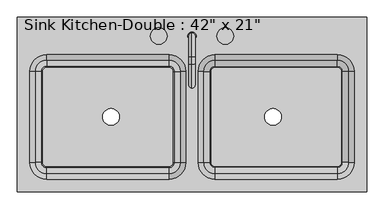
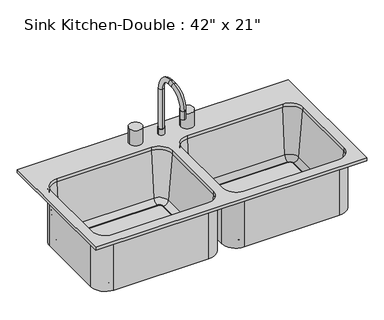
"""IFC4 building model written with IfcOpenShell, lengths in millimetres: flow terminal geometry."""

from ifc_helpers import new_model, si_unit, point, frame, frame_2d, origin, place, context, project, spatial, polyline, circle_curve, ellipse_curve, trimmed, segment, composite_curve, outline, extrude, source, transform, mapped, element, save
from ifc_brep_helpers import plane_surface, cylinder_surface, revolved_surface, advanced_brep


def flow_terminal_a53be723(model_context):
    return source(origin(), model_context, "Body", "SolidModel", [
        advanced_brep(
        [(2.9892406, 211.8954011, 927.1), (28.3892406, 211.8954011, 927.1), (15.6892406, 221.4204011, 1114.425), (15.6892406, 202.3704011, 1114.425), (15.6892406, 202.3704011, 952.5), (15.6892406, 221.4204011, 952.5), (15.6892406, 148.3954011, 1187.45), (15.6892406, 148.3954011, 1168.4), (15.6892406, 126.1704011, 1187.45), (15.6892406, 126.1704011, 1168.4), (15.6892406, 53.1454011, 1114.425), (15.6892406, 72.1954011, 1114.425), (15.6892406, 53.1454011, 1079.5), (15.6892406, 72.1954011, 1079.5), (2.9892406, 211.8954011, 952.5), (28.3892406, 211.8954011, 952.5)],
        [
            (0, 1, circle_curve(frame((15.6892406, 211.8954011, 927.1), z_axis=(0.0, 0.0, -1.0), x_axis=(1.0, 0.0, 0.0)), 12.7)),
            (1, 0, circle_curve(frame((15.6892406, 211.8954011, 927.1), z_axis=(0.0, 0.0, -1.0), x_axis=(1.0, 0.0, 0.0)), 12.7)),
            (2, 3, circle_curve(frame((15.6892406, 211.8954011, 1114.425), z_axis=(0.0, 0.0, -1.0), x_axis=(0.0, -1.0, 0.0)), 9.525)),
            (3, 4),
            (4, 5, circle_curve(frame((15.6892406, 211.8954011, 952.5), z_axis=(0.0, 0.0, 1.0), x_axis=(0.0, -1.0, 0.0)), 9.525)),
            (5, 2),
            (3, 2, circle_curve(frame((15.6892406, 211.8954011, 1114.425), z_axis=(0.0, 0.0, -1.0), x_axis=(0.0, -1.0, 0.0)), 9.525)),
            (5, 4, circle_curve(frame((15.6892406, 211.8954011, 952.5), z_axis=(0.0, 0.0, 1.0), x_axis=(0.0, -1.0, 0.0)), 9.525)),
            (2, 6, circle_curve(frame((15.6892406, 148.3954011, 1114.425), z_axis=(1.0, 0.0, 0.0), x_axis=(0.0, 1.0, 0.0)), 73.025)),
            (6, 7, circle_curve(frame((15.6892406, 148.3954011, 1177.925), z_axis=(0.0, 1.0, 0.0), x_axis=(0.0, 0.0, -1.0)), 9.525)),
            (7, 3, circle_curve(frame((15.6892406, 148.3954011, 1114.425), z_axis=(-1.0, 0.0, 0.0), x_axis=(0.0, 1.0, 0.0)), 53.975)),
            (7, 6, circle_curve(frame((15.6892406, 148.3954011, 1177.925), z_axis=(0.0, 1.0, 0.0), x_axis=(0.0, 0.0, -1.0)), 9.525)),
            (6, 8),
            (8, 9, circle_curve(frame((15.6892406, 126.1704011, 1177.925), z_axis=(0.0, 1.0, 0.0), x_axis=(0.0, 0.0, -1.0)), 9.525)),
            (9, 7),
            (9, 8, circle_curve(frame((15.6892406, 126.1704011, 1177.925), z_axis=(0.0, 1.0, 0.0), x_axis=(0.0, 0.0, -1.0)), 9.525)),
            (8, 10, circle_curve(frame((15.6892406, 126.1704011, 1114.425), z_axis=(1.0, 0.0, 0.0), x_axis=(0.0, 0.0, 1.0)), 73.025)),
            (10, 11, circle_curve(frame((15.6892406, 62.6704011, 1114.425), z_axis=(0.0, 0.0, 1.0), x_axis=(0.0, 1.0, 0.0)), 9.525)),
            (11, 9, circle_curve(frame((15.6892406, 126.1704011, 1114.425), z_axis=(-1.0, 0.0, 0.0), x_axis=(0.0, 0.0, 1.0)), 53.975)),
            (11, 10, circle_curve(frame((15.6892406, 62.6704011, 1114.425), z_axis=(0.0, 0.0, 1.0), x_axis=(0.0, 1.0, 0.0)), 9.525)),
            (12, 13, circle_curve(frame((15.6892406, 62.6704011, 1079.5), z_axis=(0.0, 0.0, -1.0), x_axis=(0.0, 1.0, 0.0)), 9.525)),
            (13, 12, circle_curve(frame((15.6892406, 62.6704011, 1079.5), z_axis=(0.0, 0.0, -1.0), x_axis=(0.0, 1.0, 0.0)), 9.525)),
            (10, 12),
            (13, 11),
            (14, 15, circle_curve(frame((15.6892406, 211.8954011, 952.5), z_axis=(0.0, 0.0, 1.0), x_axis=(1.0, 0.0, 0.0)), 12.7)),
            (15, 14, circle_curve(frame((15.6892406, 211.8954011, 952.5), z_axis=(0.0, 0.0, 1.0), x_axis=(1.0, 0.0, 0.0)), 12.7)),
            (14, 0),
            (1, 15),
        ],
        [
            plane_surface(frame((15.6892406, 202.3704011, 927.1), z_axis=(0.0, 0.0, -1.0), x_axis=(1.0, 0.0, 0.0))),
            cylinder_surface(frame((15.6892406, 211.8954011, 927.1), z_axis=(0.0, 0.0, -1.0), x_axis=(0.0, -1.0, 0.0)), 9.525),
            revolved_surface(trimmed(ellipse_curve(frame((15.6892406, 211.8954011, 1114.425), z_axis=(0.0, 0.0, -1.0), x_axis=(0.0, -1.0, 0.0)), 9.525, 9.525), [point((15.6892406, 221.4204011, 1114.425))], [point((15.6892406, 202.3704011, 1114.425))], True, "CARTESIAN"), (15.6892406, 148.3954011, 1114.425), (1.0, 0.0, 0.0)),
            revolved_surface(trimmed(ellipse_curve(frame((15.6892406, 211.8954011, 1114.425), z_axis=(0.0, 0.0, -1.0), x_axis=(0.0, -1.0, 0.0)), 9.525, 9.525), [point((15.6892406, 202.3704011, 1114.425))], [point((15.6892406, 221.4204011, 1114.425))], True, "CARTESIAN"), (15.6892406, 148.3954011, 1114.425), (1.0, 0.0, 0.0)),
            cylinder_surface(frame((15.6892406, 148.3954011, 1177.925), z_axis=(0.0, 1.0, 0.0), x_axis=(0.0, 0.0, -1.0)), 9.525),
            revolved_surface(trimmed(ellipse_curve(frame((15.6892406, 126.1704011, 1177.925), z_axis=(0.0, 1.0, 0.0), x_axis=(0.0, 0.0, -1.0)), 9.525, 9.525), [point((15.6892406, 126.1704011, 1187.45))], [point((15.6892406, 126.1704011, 1168.4))], True, "CARTESIAN"), (15.6892406, 126.1704011, 1114.425), (1.0, 0.0, 0.0)),
            revolved_surface(trimmed(ellipse_curve(frame((15.6892406, 126.1704011, 1177.925), z_axis=(0.0, 1.0, 0.0), x_axis=(0.0, 0.0, -1.0)), 9.525, 9.525), [point((15.6892406, 126.1704011, 1168.4))], [point((15.6892406, 126.1704011, 1187.45))], True, "CARTESIAN"), (15.6892406, 126.1704011, 1114.425), (1.0, 0.0, 0.0)),
            plane_surface(frame((15.6892406, 53.1454011, 1079.5), z_axis=(0.0, 0.0, -1.0), x_axis=(-1.0, 0.0, 0.0))),
            cylinder_surface(frame((15.6892406, 62.6704011, 1114.425), z_axis=(0.0, 0.0, 1.0), x_axis=(0.0, 1.0, 0.0)), 9.525),
            plane_surface(frame((28.3892406, 211.8954011, 952.5), z_axis=(0.0, 0.0, 1.0), x_axis=(0.0, 1.0, 0.0))),
            cylinder_surface(frame((15.6892406, 211.8954011, 927.1), z_axis=(0.0, 0.0, 1.0), x_axis=(1.0, 0.0, 0.0)), 12.7),
        ],
        [
            (0, [[1, 2]]),
            (1, [[3, 4, 5, 6]]),
            (1, [[7, -6, 8, -4]]),
            (2, [[-3, 9, 10, 11]]),
            (3, [[-7, -11, 12, -9]]),
            (4, [[-10, 13, 14, 15]]),
            (4, [[-12, -15, 16, -13]]),
            (5, [[-14, 17, 18, 19]]),
            (6, [[-16, -19, 20, -17]]),
            (7, [[21, 22]]),
            (8, [[-18, 23, -22, 24]]),
            (8, [[-20, -24, -21, -23]]),
            (9, [[25, 26], [-5, -8]]),
            (10, [[-25, 27, -2, 28]]),
            (10, [[-26, -28, -1, -27]]),
        ],
    ),
        advanced_brep(
        [(549.0892406, 269.0454011, 927.1), (-517.7107594, 269.0454011, 927.1), (-517.7107594, -264.3545989, 927.1), (549.0892406, -264.3545989, 927.1), (-54.1607594, 154.7454011, 927.1), (-3.3607594, 103.9454011, 927.1), (-3.3607594, -175.4545989, 927.1), (-54.1607594, -226.2545989, 927.1), (-428.8107594, -226.2545989, 927.1), (-479.6107594, -175.4545989, 927.1), (-479.6107594, 103.9454011, 927.1), (-428.8107594, 154.7454011, 927.1), (85.5392406, -226.2545989, 927.1), (34.7392406, -175.4545989, 927.1), (34.7392406, 103.9454011, 927.1), (85.5392406, 154.7454011, 927.1), (460.1892406, 154.7454011, 927.1), (510.9892406, 103.9454011, 927.1), (510.9892406, -175.4545989, 927.1), (460.1892406, -226.2545989, 927.1), (549.0892406, 269.0454011, 914.4), (549.0892406, -264.3545989, 914.4), (-517.7107594, -264.3545989, 914.4), (-517.7107594, 269.0454011, 914.4), (85.5392406, 161.0954011, 914.4), (28.3892406, 103.9454011, 914.4), (28.3892406, -175.4545989, 914.4), (85.5392406, -232.6045989, 914.4), (460.1892406, -232.6045989, 914.4), (517.3392406, -175.4545989, 914.4), (517.3392406, 103.9454011, 914.4), (460.1892406, 161.0954011, 914.4), (2.9892406, 103.9454011, 914.4), (-54.1607594, 161.0954011, 914.4), (-428.8107594, 161.0954011, 914.4), (-485.9607594, 103.9454011, 914.4), (-485.9607594, -175.4545989, 914.4), (-428.8107594, -232.6045989, 914.4), (-54.1607594, -232.6045989, 914.4), (2.9892406, -175.4545989, 914.4), (-54.1607594, 154.7454011, 914.4), (-3.3607594, 103.9454011, 914.4), (-3.3607594, -175.4545989, 914.4), (-54.1607594, -226.2545989, 914.4), (-428.8107594, -226.2545989, 914.4), (-479.6107594, -175.4545989, 914.4), (-479.6107594, 103.9454011, 914.4), (-428.8107594, 154.7454011, 914.4), (85.5392406, -226.2545989, 914.4), (34.7392406, -175.4545989, 914.4), (34.7392406, 103.9454011, 914.4), (85.5392406, 154.7454011, 914.4), (460.1892406, 154.7454011, 914.4), (510.9892406, 103.9454011, 914.4), (510.9892406, -175.4545989, 914.4), (460.1892406, -226.2545989, 914.4), (51.2733134, 103.9454011, 725.4146831), (85.5392406, 138.2113283, 725.4146831), (70.2508224, 103.9454011, 708.025), (85.5392406, 119.2338193, 708.025), (72.8392406, 103.9454011, 708.025), (85.5392406, 116.6454011, 708.025), (72.8392406, 103.9454011, 698.5), (85.5392406, 116.6454011, 698.5), (28.3892406, 103.9454011, 698.5), (85.5392406, 161.0954011, 698.5), (51.2733134, -175.4545989, 725.4146831), (70.2508224, -175.4545989, 708.025), (72.8392406, -175.4545989, 708.025), (72.8392406, -175.4545989, 698.5), (28.3892406, -175.4545989, 698.5), (85.5392406, -209.7205261, 725.4146831), (85.5392406, -190.7430171, 708.025), (85.5392406, -188.1545989, 708.025), (85.5392406, -188.1545989, 698.5), (85.5392406, -232.6045989, 698.5), (460.1892406, -209.7205261, 725.4146831), (460.1892406, -190.7430171, 708.025), (460.1892406, -188.1545989, 708.025), (460.1892406, -188.1545989, 698.5), (460.1892406, -232.6045989, 698.5), (494.4551678, -175.4545989, 725.4146831), (475.4776588, -175.4545989, 708.025), (472.8892406, -175.4545989, 708.025), (472.8892406, -175.4545989, 698.5), (517.3392406, -175.4545989, 698.5), (494.4551678, 103.9454011, 725.4146831), (475.4776588, 103.9454011, 708.025), (472.8892406, 103.9454011, 708.025), (472.8892406, 103.9454011, 698.5), (517.3392406, 103.9454011, 698.5), (460.1892406, 138.2113283, 725.4146831), (460.1892406, 119.2338193, 708.025), (460.1892406, 116.6454011, 708.025), (460.1892406, 116.6454011, 698.5), (460.1892406, 161.0954011, 698.5), (2.9892406, 103.9454011, 698.5), (-54.1607594, 161.0954011, 698.5), (-41.4607594, 103.9454011, 698.5), (-54.1607594, 116.6454011, 698.5), (-41.4607594, 103.9454011, 708.025), (-54.1607594, 116.6454011, 708.025), (-38.8723412, 103.9454011, 708.025), (-54.1607594, 119.2338193, 708.025), (-19.8948322, 103.9454011, 725.4146831), (-54.1607594, 138.2113283, 725.4146831), (2.9892406, -175.4545989, 698.5), (-41.4607594, -175.4545989, 698.5), (-41.4607594, -175.4545989, 708.025), (-38.8723412, -175.4545989, 708.025), (-19.8948322, -175.4545989, 725.4146831), (-54.1607594, -232.6045989, 698.5), (-54.1607594, -188.1545989, 698.5), (-54.1607594, -188.1545989, 708.025), (-54.1607594, -190.7430171, 708.025), (-54.1607594, -209.7205261, 725.4146831), (-428.8107594, -232.6045989, 698.5), (-428.8107594, -188.1545989, 698.5), (-428.8107594, -188.1545989, 708.025), (-428.8107594, -190.7430171, 708.025), (-428.8107594, -209.7205261, 725.4146831), (-485.9607594, -175.4545989, 698.5), (-441.5107594, -175.4545989, 698.5), (-441.5107594, -175.4545989, 708.025), (-444.0991776, -175.4545989, 708.025), (-463.0766866, -175.4545989, 725.4146831), (-485.9607594, 103.9454011, 698.5), (-441.5107594, 103.9454011, 698.5), (-441.5107594, 103.9454011, 708.025), (-444.0991776, 103.9454011, 708.025), (-463.0766866, 103.9454011, 725.4146831), (-428.8107594, 161.0954011, 698.5), (-428.8107594, 116.6454011, 698.5), (-428.8107594, 116.6454011, 708.025), (-428.8107594, 119.2338193, 708.025), (-428.8107594, 138.2113283, 725.4146831)],
        [
            (0, 1),
            (1, 2),
            (2, 3),
            (3, 0),
            (4, 5, circle_curve(frame((-54.1607594, 103.9454011, 927.1), z_axis=(0.0, 0.0, -1.0), x_axis=(1.0, 0.0, 0.0)), 50.8)),
            (5, 6),
            (6, 7, circle_curve(frame((-54.1607594, -175.4545989, 927.1), z_axis=(0.0, 0.0, -1.0), x_axis=(1.0, 0.0, 0.0)), 50.8)),
            (7, 8),
            (8, 9, circle_curve(frame((-428.8107594, -175.4545989, 927.1), z_axis=(0.0, 0.0, -1.0), x_axis=(1.0, 0.0, 0.0)), 50.8)),
            (9, 10),
            (10, 11, circle_curve(frame((-428.8107594, 103.9454011, 927.1), z_axis=(0.0, 0.0, -1.0), x_axis=(1.0, 0.0, 0.0)), 50.8)),
            (11, 4),
            (12, 13, circle_curve(frame((85.5392406, -175.4545989, 927.1), z_axis=(0.0, 0.0, -1.0), x_axis=(1.0, 0.0, 0.0)), 50.8)),
            (13, 14),
            (14, 15, circle_curve(frame((85.5392406, 103.9454011, 927.1), z_axis=(0.0, 0.0, -1.0), x_axis=(1.0, 0.0, 0.0)), 50.8)),
            (15, 16),
            (16, 17, circle_curve(frame((460.1892406, 103.9454011, 927.1), z_axis=(0.0, 0.0, -1.0), x_axis=(1.0, 0.0, 0.0)), 50.8)),
            (17, 18),
            (18, 19, circle_curve(frame((460.1892406, -175.4545989, 927.1), z_axis=(0.0, 0.0, -1.0), x_axis=(1.0, 0.0, 0.0)), 50.8)),
            (19, 12),
            (20, 21),
            (21, 22),
            (22, 23),
            (23, 20),
            (24, 25, circle_curve(frame((85.5392406, 103.9454011, 914.4), z_axis=(0.0, 0.0, 1.0), x_axis=(0.0, 1.0, 0.0)), 57.15)),
            (25, 26),
            (26, 27, circle_curve(frame((85.5392406, -175.4545989, 914.4), z_axis=(0.0, 0.0, 1.0), x_axis=(-1.0, 0.0, 0.0)), 57.15)),
            (27, 28),
            (28, 29, circle_curve(frame((460.1892406, -175.4545989, 914.4), z_axis=(0.0, 0.0, 1.0), x_axis=(0.0, -1.0, 0.0)), 57.15)),
            (29, 30),
            (30, 31, circle_curve(frame((460.1892406, 103.9454011, 914.4), z_axis=(0.0, 0.0, 1.0), x_axis=(1.0, 0.0, 0.0)), 57.15)),
            (31, 24),
            (32, 33, circle_curve(frame((-54.1607594, 103.9454011, 914.4), z_axis=(0.0, 0.0, 1.0), x_axis=(0.0, 1.0, 0.0)), 57.15)),
            (33, 34),
            (34, 35, circle_curve(frame((-428.8107594, 103.9454011, 914.4), z_axis=(0.0, 0.0, 1.0), x_axis=(-1.0, 0.0, 0.0)), 57.15)),
            (35, 36),
            (36, 37, circle_curve(frame((-428.8107594, -175.4545989, 914.4), z_axis=(0.0, 0.0, 1.0), x_axis=(0.0, -1.0, 0.0)), 57.15)),
            (37, 38),
            (38, 39, circle_curve(frame((-54.1607594, -175.4545989, 914.4), z_axis=(0.0, 0.0, 1.0), x_axis=(1.0, 0.0, 0.0)), 57.15)),
            (39, 32),
            (0, 20),
            (23, 1),
            (22, 2),
            (21, 3),
            (4, 40),
            (40, 41, circle_curve(frame((-54.1607594, 103.9454011, 914.4), z_axis=(0.0, 0.0, -1.0), x_axis=(1.0, 0.0, 0.0)), 50.8)),
            (41, 5),
            (41, 42),
            (42, 6),
            (42, 43, circle_curve(frame((-54.1607594, -175.4545989, 914.4), z_axis=(0.0, 0.0, -1.0), x_axis=(1.0, 0.0, 0.0)), 50.8)),
            (43, 7),
            (43, 44),
            (44, 8),
            (44, 45, circle_curve(frame((-428.8107594, -175.4545989, 914.4), z_axis=(0.0, 0.0, -1.0), x_axis=(1.0, 0.0, 0.0)), 50.8)),
            (45, 9),
            (45, 46),
            (46, 10),
            (46, 47, circle_curve(frame((-428.8107594, 103.9454011, 914.4), z_axis=(0.0, 0.0, -1.0), x_axis=(1.0, 0.0, 0.0)), 50.8)),
            (47, 11),
            (47, 40),
            (12, 48),
            (48, 49, circle_curve(frame((85.5392406, -175.4545989, 914.4), z_axis=(0.0, 0.0, -1.0), x_axis=(1.0, 0.0, 0.0)), 50.8)),
            (49, 13),
            (49, 50),
            (50, 14),
            (50, 51, circle_curve(frame((85.5392406, 103.9454011, 914.4), z_axis=(0.0, 0.0, -1.0), x_axis=(1.0, 0.0, 0.0)), 50.8)),
            (51, 15),
            (51, 52),
            (52, 16),
            (52, 53, circle_curve(frame((460.1892406, 103.9454011, 914.4), z_axis=(0.0, 0.0, -1.0), x_axis=(1.0, 0.0, 0.0)), 50.8)),
            (53, 17),
            (53, 54),
            (54, 18),
            (54, 55, circle_curve(frame((460.1892406, -175.4545989, 914.4), z_axis=(0.0, 0.0, -1.0), x_axis=(1.0, 0.0, 0.0)), 50.8)),
            (55, 19),
            (55, 48),
            (56, 57, circle_curve(frame((85.5392406, 103.9454011, 725.4146831), z_axis=(0.0, 0.0, -1.0), x_axis=(0.0, 1.0, 0.0)), 34.2659272)),
            (57, 51),
            (50, 56),
            (56, 58, circle_curve(frame((70.2508224, 103.9454011, 727.075), z_axis=(0.0, -1.0, 0.0), x_axis=(1.0, 0.0, 0.0)), 19.05)),
            (58, 59, circle_curve(frame((85.5392406, 103.9454011, 708.025), z_axis=(0.0, 0.0, -1.0), x_axis=(0.0, 1.0, 0.0)), 15.2884182)),
            (59, 57, circle_curve(frame((85.5392406, 119.2338193, 727.075), z_axis=(1.0, 0.0, 0.0), x_axis=(0.0, -1.0, 0.0)), 19.05)),
            (58, 60),
            (60, 61, circle_curve(frame((85.5392406, 103.9454011, 708.025), z_axis=(0.0, 0.0, -1.0), x_axis=(0.0, 1.0, 0.0)), 12.7)),
            (61, 59),
            (60, 62),
            (62, 63, circle_curve(frame((85.5392406, 103.9454011, 698.5), z_axis=(0.0, 0.0, -1.0), x_axis=(0.0, 1.0, 0.0)), 12.7)),
            (63, 61),
            (62, 64),
            (64, 65, circle_curve(frame((85.5392406, 103.9454011, 698.5), z_axis=(0.0, 0.0, -1.0), x_axis=(0.0, 1.0, 0.0)), 57.15)),
            (65, 63),
            (64, 25),
            (24, 65),
            (49, 66),
            (66, 56),
            (66, 67, circle_curve(frame((70.2508224, -175.4545989, 727.075), z_axis=(0.0, -1.0, 0.0), x_axis=(1.0, 0.0, 0.0)), 19.05)),
            (67, 58),
            (67, 68),
            (68, 60),
            (68, 69),
            (69, 62),
            (69, 70),
            (70, 64),
            (70, 26),
            (48, 71),
            (71, 66, circle_curve(frame((85.5392406, -175.4545989, 725.4146831), z_axis=(0.0, 0.0, -1.0), x_axis=(-1.0, 0.0, 0.0)), 34.2659272)),
            (71, 72, circle_curve(frame((85.5392406, -190.7430171, 727.075), z_axis=(1.0, 0.0, 0.0), x_axis=(0.0, 1.0, 0.0)), 19.05)),
            (72, 67, circle_curve(frame((85.5392406, -175.4545989, 708.025), z_axis=(0.0, 0.0, -1.0), x_axis=(-1.0, 0.0, 0.0)), 15.2884182)),
            (72, 73),
            (73, 68, circle_curve(frame((85.5392406, -175.4545989, 708.025), z_axis=(0.0, 0.0, -1.0), x_axis=(-1.0, 0.0, 0.0)), 12.7)),
            (73, 74),
            (74, 69, circle_curve(frame((85.5392406, -175.4545989, 698.5), z_axis=(0.0, 0.0, -1.0), x_axis=(-1.0, 0.0, 0.0)), 12.7)),
            (74, 75),
            (75, 70, circle_curve(frame((85.5392406, -175.4545989, 698.5), z_axis=(0.0, 0.0, -1.0), x_axis=(-1.0, 0.0, 0.0)), 57.15)),
            (75, 27),
            (55, 76),
            (76, 71),
            (76, 77, circle_curve(frame((460.1892406, -190.7430171, 727.075), z_axis=(1.0, 0.0, 0.0), x_axis=(0.0, 1.0, 0.0)), 19.05)),
            (77, 72),
            (77, 78),
            (78, 73),
            (78, 79),
            (79, 74),
            (79, 80),
            (80, 75),
            (80, 28),
            (54, 81),
            (81, 76, circle_curve(frame((460.1892406, -175.4545989, 725.4146831), z_axis=(0.0, 0.0, -1.0), x_axis=(0.0, -1.0, 0.0)), 34.2659272)),
            (81, 82, circle_curve(frame((475.4776588, -175.4545989, 727.075), z_axis=(0.0, 1.0, 0.0), x_axis=(-1.0, 0.0, 0.0)), 19.05)),
            (82, 77, circle_curve(frame((460.1892406, -175.4545989, 708.025), z_axis=(0.0, 0.0, -1.0), x_axis=(0.0, -1.0, 0.0)), 15.2884182)),
            (82, 83),
            (83, 78, circle_curve(frame((460.1892406, -175.4545989, 708.025), z_axis=(0.0, 0.0, -1.0), x_axis=(0.0, -1.0, 0.0)), 12.7)),
            (83, 84),
            (84, 79, circle_curve(frame((460.1892406, -175.4545989, 698.5), z_axis=(0.0, 0.0, -1.0), x_axis=(0.0, -1.0, 0.0)), 12.7)),
            (84, 85),
            (85, 80, circle_curve(frame((460.1892406, -175.4545989, 698.5), z_axis=(0.0, 0.0, -1.0), x_axis=(0.0, -1.0, 0.0)), 57.15)),
            (85, 29),
            (53, 86),
            (86, 81),
            (86, 87, circle_curve(frame((475.4776588, 103.9454011, 727.075), z_axis=(0.0, 1.0, 0.0), x_axis=(-1.0, 0.0, 0.0)), 19.05)),
            (87, 82),
            (87, 88),
            (88, 83),
            (88, 89),
            (89, 84),
            (89, 90),
            (90, 85),
            (90, 30),
            (52, 91),
            (91, 86, circle_curve(frame((460.1892406, 103.9454011, 725.4146831), z_axis=(0.0, 0.0, -1.0), x_axis=(1.0, 0.0, 0.0)), 34.2659272)),
            (91, 92, circle_curve(frame((460.1892406, 119.2338193, 727.075), z_axis=(-1.0, 0.0, 0.0), x_axis=(0.0, -1.0, 0.0)), 19.05)),
            (92, 87, circle_curve(frame((460.1892406, 103.9454011, 708.025), z_axis=(0.0, 0.0, -1.0), x_axis=(1.0, 0.0, 0.0)), 15.2884182)),
            (92, 93),
            (93, 88, circle_curve(frame((460.1892406, 103.9454011, 708.025), z_axis=(0.0, 0.0, -1.0), x_axis=(1.0, 0.0, 0.0)), 12.7)),
            (93, 94),
            (94, 89, circle_curve(frame((460.1892406, 103.9454011, 698.5), z_axis=(0.0, 0.0, -1.0), x_axis=(1.0, 0.0, 0.0)), 12.7)),
            (94, 95),
            (95, 90, circle_curve(frame((460.1892406, 103.9454011, 698.5), z_axis=(0.0, 0.0, -1.0), x_axis=(1.0, 0.0, 0.0)), 57.15)),
            (95, 31),
            (57, 91),
            (59, 92),
            (61, 93),
            (63, 94),
            (65, 95),
            (96, 97, circle_curve(frame((-54.1607594, 103.9454011, 698.5), z_axis=(0.0, 0.0, 1.0), x_axis=(0.0, 1.0, 0.0)), 57.15)),
            (97, 33),
            (32, 96),
            (96, 98),
            (98, 99, circle_curve(frame((-54.1607594, 103.9454011, 698.5), z_axis=(0.0, 0.0, 1.0), x_axis=(0.0, 1.0, 0.0)), 12.7)),
            (99, 97),
            (98, 100),
            (100, 101, circle_curve(frame((-54.1607594, 103.9454011, 708.025), z_axis=(0.0, 0.0, 1.0), x_axis=(0.0, 1.0, 0.0)), 12.7)),
            (101, 99),
            (100, 102),
            (102, 103, circle_curve(frame((-54.1607594, 103.9454011, 708.025), z_axis=(0.0, 0.0, 1.0), x_axis=(0.0, 1.0, 0.0)), 15.2884182)),
            (103, 101),
            (102, 104, circle_curve(frame((-38.8723412, 103.9454011, 727.075), z_axis=(0.0, -1.0, 0.0), x_axis=(1.0, 0.0, 0.0)), 19.05)),
            (104, 105, circle_curve(frame((-54.1607594, 103.9454011, 725.4146831), z_axis=(0.0, 0.0, 1.0), x_axis=(0.0, 1.0, 0.0)), 34.2659272)),
            (105, 103, circle_curve(frame((-54.1607594, 119.2338193, 727.075), z_axis=(-1.0, 0.0, 0.0), x_axis=(0.0, 1.0, 0.0)), 19.05)),
            (104, 41),
            (40, 105),
            (39, 106),
            (106, 96),
            (106, 107),
            (107, 98),
            (107, 108),
            (108, 100),
            (108, 109),
            (109, 102),
            (109, 110, circle_curve(frame((-38.8723412, -175.4545989, 727.075), z_axis=(0.0, -1.0, 0.0), x_axis=(1.0, 0.0, 0.0)), 19.05)),
            (110, 104),
            (110, 42),
            (38, 111),
            (111, 106, circle_curve(frame((-54.1607594, -175.4545989, 698.5), z_axis=(0.0, 0.0, 1.0), x_axis=(1.0, 0.0, 0.0)), 57.15)),
            (111, 112),
            (112, 107, circle_curve(frame((-54.1607594, -175.4545989, 698.5), z_axis=(0.0, 0.0, 1.0), x_axis=(1.0, 0.0, 0.0)), 12.7)),
            (112, 113),
            (113, 108, circle_curve(frame((-54.1607594, -175.4545989, 708.025), z_axis=(0.0, 0.0, 1.0), x_axis=(1.0, 0.0, 0.0)), 12.7)),
            (113, 114),
            (114, 109, circle_curve(frame((-54.1607594, -175.4545989, 708.025), z_axis=(0.0, 0.0, 1.0), x_axis=(1.0, 0.0, 0.0)), 15.2884182)),
            (114, 115, circle_curve(frame((-54.1607594, -190.7430171, 727.075), z_axis=(-1.0, 0.0, 0.0), x_axis=(0.0, -1.0, 0.0)), 19.05)),
            (115, 110, circle_curve(frame((-54.1607594, -175.4545989, 725.4146831), z_axis=(0.0, 0.0, 1.0), x_axis=(1.0, 0.0, 0.0)), 34.2659272)),
            (115, 43),
            (37, 116),
            (116, 111),
            (116, 117),
            (117, 112),
            (117, 118),
            (118, 113),
            (118, 119),
            (119, 114),
            (119, 120, circle_curve(frame((-428.8107594, -190.7430171, 727.075), z_axis=(-1.0, 0.0, 0.0), x_axis=(0.0, -1.0, 0.0)), 19.05)),
            (120, 115),
            (120, 44),
            (36, 121),
            (121, 116, circle_curve(frame((-428.8107594, -175.4545989, 698.5), z_axis=(0.0, 0.0, 1.0), x_axis=(0.0, -1.0, 0.0)), 57.15)),
            (121, 122),
            (122, 117, circle_curve(frame((-428.8107594, -175.4545989, 698.5), z_axis=(0.0, 0.0, 1.0), x_axis=(0.0, -1.0, 0.0)), 12.7)),
            (122, 123),
            (123, 118, circle_curve(frame((-428.8107594, -175.4545989, 708.025), z_axis=(0.0, 0.0, 1.0), x_axis=(0.0, -1.0, 0.0)), 12.7)),
            (123, 124),
            (124, 119, circle_curve(frame((-428.8107594, -175.4545989, 708.025), z_axis=(0.0, 0.0, 1.0), x_axis=(0.0, -1.0, 0.0)), 15.2884182)),
            (124, 125, circle_curve(frame((-444.0991776, -175.4545989, 727.075), z_axis=(0.0, 1.0, 0.0), x_axis=(-1.0, 0.0, 0.0)), 19.05)),
            (125, 120, circle_curve(frame((-428.8107594, -175.4545989, 725.4146831), z_axis=(0.0, 0.0, 1.0), x_axis=(0.0, -1.0, 0.0)), 34.2659272)),
            (125, 45),
            (35, 126),
            (126, 121),
            (126, 127),
            (127, 122),
            (127, 128),
            (128, 123),
            (128, 129),
            (129, 124),
            (129, 130, circle_curve(frame((-444.0991776, 103.9454011, 727.075), z_axis=(0.0, 1.0, 0.0), x_axis=(-1.0, 0.0, 0.0)), 19.05)),
            (130, 125),
            (130, 46),
            (34, 131),
            (131, 126, circle_curve(frame((-428.8107594, 103.9454011, 698.5), z_axis=(0.0, 0.0, 1.0), x_axis=(-1.0, 0.0, 0.0)), 57.15)),
            (131, 132),
            (132, 127, circle_curve(frame((-428.8107594, 103.9454011, 698.5), z_axis=(0.0, 0.0, 1.0), x_axis=(-1.0, 0.0, 0.0)), 12.7)),
            (132, 133),
            (133, 128, circle_curve(frame((-428.8107594, 103.9454011, 708.025), z_axis=(0.0, 0.0, 1.0), x_axis=(-1.0, 0.0, 0.0)), 12.7)),
            (133, 134),
            (134, 129, circle_curve(frame((-428.8107594, 103.9454011, 708.025), z_axis=(0.0, 0.0, 1.0), x_axis=(-1.0, 0.0, 0.0)), 15.2884182)),
            (134, 135, circle_curve(frame((-428.8107594, 119.2338193, 727.075), z_axis=(1.0, 0.0, 0.0), x_axis=(0.0, 1.0, 0.0)), 19.05)),
            (135, 130, circle_curve(frame((-428.8107594, 103.9454011, 725.4146831), z_axis=(0.0, 0.0, 1.0), x_axis=(-1.0, 0.0, 0.0)), 34.2659272)),
            (135, 47),
            (97, 131),
            (99, 132),
            (101, 133),
            (103, 134),
            (105, 135),
        ],
        [
            plane_surface(frame((-517.7107594, 269.0454011, 927.1), z_axis=(0.0, 0.0, 1.0), x_axis=(-1.0, 0.0, 0.0))),
            plane_surface(frame((-517.7107594, 269.0454011, 914.4), z_axis=(0.0, 0.0, -1.0), x_axis=(1.0, 0.0, 0.0))),
            plane_surface(frame((549.0892406, 269.0454011, 927.1), z_axis=(0.0, 1.0, 0.0), x_axis=(0.0, 0.0, -1.0))),
            plane_surface(frame((-517.7107594, 269.0454011, 927.1), z_axis=(-1.0, 0.0, 0.0), x_axis=(0.0, 0.0, -1.0))),
            plane_surface(frame((-517.7107594, -264.3545989, 927.1), z_axis=(0.0, -1.0, 0.0), x_axis=(0.0, 0.0, -1.0))),
            plane_surface(frame((549.0892406, -264.3545989, 927.1), z_axis=(1.0, 0.0, 0.0), x_axis=(0.0, 0.0, -1.0))),
            revolved_surface(polyline([(-3.3607594000000063, 103.9454011, 914.4), (-3.3607594000000063, 103.9454011, 927.1)]), (-54.1607594, 103.9454011, 0.0), (0.0, 0.0, -1.0)),
            plane_surface(frame((-3.3607594, 103.9454011, 927.1), z_axis=(-1.0, 0.0, 0.0), x_axis=(0.0, 0.0, -1.0))),
            revolved_surface(polyline([(-3.3607594000000063, -175.4545989, 914.4), (-3.3607594000000063, -175.4545989, 927.1)]), (-54.1607594, -175.4545989, 0.0), (0.0, 0.0, -1.0)),
            plane_surface(frame((-54.1607594, -226.2545989, 927.1), z_axis=(0.0, 1.0, 0.0), x_axis=(0.0, 0.0, -1.0))),
            revolved_surface(polyline([(-378.0107594, -175.4545989, 914.4), (-378.0107594, -175.4545989, 927.1)]), (-428.8107594, -175.4545989, 0.0), (0.0, 0.0, -1.0)),
            plane_surface(frame((-479.6107594, -175.4545989, 927.1), z_axis=(1.0, 0.0, 0.0), x_axis=(0.0, 0.0, -1.0))),
            revolved_surface(polyline([(-378.0107594, 103.9454011, 914.4), (-378.0107594, 103.9454011, 927.1)]), (-428.8107594, 103.9454011, 0.0), (0.0, 0.0, -1.0)),
            plane_surface(frame((-428.8107594, 154.7454011, 927.1), z_axis=(0.0, -1.0, 0.0), x_axis=(0.0, 0.0, -1.0))),
            revolved_surface(polyline([(136.33924059999998, -175.4545989, 914.4), (136.33924059999998, -175.4545989, 927.1)]), (85.5392406, -175.4545989, 0.0), (0.0, 0.0, -1.0)),
            plane_surface(frame((34.7392406, -175.4545989, 927.1), z_axis=(1.0, 0.0, 0.0), x_axis=(0.0, 0.0, -1.0))),
            revolved_surface(polyline([(136.33924059999998, 103.9454011, 914.4), (136.33924059999998, 103.9454011, 927.1)]), (85.5392406, 103.9454011, 0.0), (0.0, 0.0, -1.0)),
            plane_surface(frame((85.5392406, 154.7454011, 927.1), z_axis=(0.0, -1.0, 0.0), x_axis=(0.0, 0.0, -1.0))),
            revolved_surface(polyline([(510.9892406, 103.9454011, 914.4), (510.9892406, 103.9454011, 927.1)]), (460.1892406, 103.9454011, 0.0), (0.0, 0.0, -1.0)),
            plane_surface(frame((510.9892406, 103.9454011, 927.1), z_axis=(-1.0, 0.0, 0.0), x_axis=(0.0, 0.0, -1.0))),
            revolved_surface(polyline([(510.9892406, -175.4545989, 914.4), (510.9892406, -175.4545989, 927.1)]), (460.1892406, -175.4545989, 0.0), (0.0, 0.0, -1.0)),
            plane_surface(frame((460.1892406, -226.2545989, 927.1), z_axis=(0.0, 1.0, 0.0), x_axis=(0.0, 0.0, -1.0))),
            revolved_surface(polyline([(85.5392406, 154.7454011, 914.4), (85.5392406, 138.2113283, 725.4146831)]), (85.5392406, 103.9454011, 0.0), (0.0, 0.0, 1.0)),
            revolved_surface(trimmed(ellipse_curve(frame((85.5392406, 119.2338193, 727.075), z_axis=(-1.0, 0.0, 0.0), x_axis=(0.0, -1.0, 0.0)), 19.05, 19.05), [point((85.5392406, 138.2113283, 725.4146831))], [point((85.5392406, 119.2338193, 708.025))], True, "CARTESIAN"), (85.5392406, 103.9454011, 0.0), (0.0, 0.0, 1.0)),
            plane_surface(frame((85.5392406, 103.9454011, 708.025), z_axis=(0.0, 0.0, 1.0), x_axis=(0.0, 1.0, 0.0))),
            revolved_surface(polyline([(85.5392406, 116.6454011, 708.025), (85.5392406, 116.6454011, 698.5)]), (85.5392406, 103.9454011, 0.0), (0.0, 0.0, 1.0)),
            plane_surface(frame((85.5392406, 103.9454011, 698.5), z_axis=(0.0, 0.0, -1.0), x_axis=(0.0, 1.0, 0.0))),
            cylinder_surface(frame((85.5392406, 103.9454011, 0.0), z_axis=(0.0, 0.0, 1.0), x_axis=(0.0, 1.0, 0.0)), 57.15),
            plane_surface(frame((34.7392406, 103.9454011, 914.4), z_axis=(0.996194698091745, 0.0, 0.08715574274766508), x_axis=(0.0, -1.0, 0.0))),
            revolved_surface(polyline([(89.3008224, -175.45459889999998, 727.075), (89.3008224, 103.9454011, 727.075)]), (70.2508224, 103.9454011, 727.075), (0.0, -1.0, 0.0)),
            plane_surface(frame((70.2508224, 103.9454011, 708.025), z_axis=(0.0, 0.0, 1.0), x_axis=(0.0, -1.0, 0.0))),
            plane_surface(frame((72.8392406, 103.9454011, 708.025), z_axis=(1.0, 0.0, 0.0), x_axis=(0.0, -1.0, 0.0))),
            plane_surface(frame((72.8392406, 103.9454011, 698.5), z_axis=(0.0, 0.0, -1.0), x_axis=(0.0, -1.0, 0.0))),
            plane_surface(frame((28.3892406, 103.9454011, 698.5), z_axis=(-1.0, 0.0, 0.0), x_axis=(0.0, -1.0, 0.0))),
            revolved_surface(polyline([(34.7392406, -175.4545989, 914.4), (51.2733134, -175.4545989, 725.4146831)]), (85.5392406, -175.4545989, 0.0), (0.0, 0.0, 1.0)),
            revolved_surface(trimmed(ellipse_curve(frame((70.2508224, -175.4545989, 727.075), z_axis=(0.0, -1.0, 0.0), x_axis=(1.0, 0.0, 0.0)), 19.05, 19.05), [point((51.2733134, -175.4545989, 725.4146831))], [point((70.2508224, -175.4545989, 708.025))], True, "CARTESIAN"), (85.5392406, -175.4545989, 0.0), (0.0, 0.0, 1.0)),
            plane_surface(frame((85.5392406, -175.4545989, 708.025), z_axis=(0.0, 0.0, 1.0), x_axis=(-1.0, 0.0, 0.0))),
            revolved_surface(polyline([(72.8392406, -175.4545989, 708.025), (72.8392406, -175.4545989, 698.5)]), (85.5392406, -175.4545989, 0.0), (0.0, 0.0, 1.0)),
            plane_surface(frame((85.5392406, -175.4545989, 698.5), z_axis=(0.0, 0.0, -1.0), x_axis=(-1.0, 0.0, 0.0))),
            cylinder_surface(frame((85.5392406, -175.4545989, 0.0), z_axis=(0.0, 0.0, 1.0), x_axis=(-1.0, 0.0, 0.0)), 57.15),
            plane_surface(frame((85.5392406, -226.2545989, 914.4), z_axis=(0.0, 0.996194698091745, 0.08715574274766508), x_axis=(1.0, 0.0, 0.0))),
            revolved_surface(polyline([(460.18924059999995, -171.6930171, 727.075), (85.5392406, -171.6930171, 727.075)]), (85.5392406, -190.7430171, 727.075), (1.0, 0.0, 0.0)),
            plane_surface(frame((85.5392406, -190.7430171, 708.025), z_axis=(0.0, 0.0, 1.0), x_axis=(1.0, 0.0, 0.0))),
            plane_surface(frame((85.5392406, -188.1545989, 708.025), z_axis=(0.0, 1.0, 0.0), x_axis=(1.0, 0.0, 0.0))),
            plane_surface(frame((85.5392406, -188.1545989, 698.5), z_axis=(0.0, 0.0, -1.0), x_axis=(1.0, 0.0, 0.0))),
            plane_surface(frame((85.5392406, -232.6045989, 698.5), z_axis=(0.0, -1.0, 0.0), x_axis=(1.0, 0.0, 0.0))),
            revolved_surface(polyline([(460.1892406, -226.2545989, 914.4), (460.1892406, -209.7205261, 725.4146831)]), (460.1892406, -175.4545989, 0.0), (0.0, 0.0, 1.0)),
            revolved_surface(trimmed(ellipse_curve(frame((460.1892406, -190.7430171, 727.075), z_axis=(1.0, 0.0, 0.0), x_axis=(0.0, 1.0, 0.0)), 19.05, 19.05), [point((460.1892406, -209.7205261, 725.4146831))], [point((460.1892406, -190.7430171, 708.025))], True, "CARTESIAN"), (460.1892406, -175.4545989, 0.0), (0.0, 0.0, 1.0)),
            plane_surface(frame((460.1892406, -175.4545989, 708.025), z_axis=(0.0, 0.0, 1.0), x_axis=(0.0, -1.0, 0.0))),
            revolved_surface(polyline([(460.1892406, -188.1545989, 708.025), (460.1892406, -188.1545989, 698.5)]), (460.1892406, -175.4545989, 0.0), (0.0, 0.0, 1.0)),
            plane_surface(frame((460.1892406, -175.4545989, 698.5), z_axis=(0.0, 0.0, -1.0), x_axis=(0.0, -1.0, 0.0))),
            cylinder_surface(frame((460.1892406, -175.4545989, 0.0), z_axis=(0.0, 0.0, 1.0), x_axis=(0.0, -1.0, 0.0)), 57.15),
            plane_surface(frame((510.9892406, -175.4545989, 914.4), z_axis=(-0.996194698091745, 0.0, 0.08715574274766508), x_axis=(0.0, 1.0, 0.0))),
            revolved_surface(polyline([(456.42765879999996, 103.94540109999997, 727.075), (456.42765879999996, -175.4545989, 727.075)]), (475.4776588, -175.4545989, 727.075), (0.0, 1.0, 0.0)),
            plane_surface(frame((475.4776588, -175.4545989, 708.025), z_axis=(0.0, 0.0, 1.0), x_axis=(0.0, 1.0, 0.0))),
            plane_surface(frame((472.8892406, -175.4545989, 708.025), z_axis=(-1.0, 0.0, 0.0), x_axis=(0.0, 1.0, 0.0))),
            plane_surface(frame((472.8892406, -175.4545989, 698.5), z_axis=(0.0, 0.0, -1.0), x_axis=(0.0, 1.0, 0.0))),
            plane_surface(frame((517.3392406, -175.4545989, 698.5), z_axis=(1.0, 0.0, 0.0), x_axis=(0.0, 1.0, 0.0))),
            revolved_surface(polyline([(510.9892406, 103.9454011, 914.4), (494.4551678, 103.9454011, 725.4146831)]), (460.1892406, 103.9454011, 0.0), (0.0, 0.0, 1.0)),
            revolved_surface(trimmed(ellipse_curve(frame((475.4776588, 103.9454011, 727.075), z_axis=(0.0, 1.0, 0.0), x_axis=(-1.0, 0.0, 0.0)), 19.05, 19.05), [point((494.4551678, 103.9454011, 725.4146831))], [point((475.4776588, 103.9454011, 708.025))], True, "CARTESIAN"), (460.1892406, 103.9454011, 0.0), (0.0, 0.0, 1.0)),
            plane_surface(frame((460.1892406, 103.9454011, 708.025), z_axis=(0.0, 0.0, 1.0), x_axis=(1.0, 0.0, 0.0))),
            revolved_surface(polyline([(472.8892406, 103.9454011, 708.025), (472.8892406, 103.9454011, 698.5)]), (460.1892406, 103.9454011, 0.0), (0.0, 0.0, 1.0)),
            plane_surface(frame((460.1892406, 103.9454011, 698.5), z_axis=(0.0, 0.0, -1.0), x_axis=(1.0, 0.0, 0.0))),
            cylinder_surface(frame((460.1892406, 103.9454011, 0.0), z_axis=(0.0, 0.0, 1.0), x_axis=(1.0, 0.0, 0.0)), 57.15),
            plane_surface(frame((460.1892406, 154.7454011, 914.4), z_axis=(0.0, -0.996194698091745, 0.08715574274766508), x_axis=(-1.0, 0.0, 0.0))),
            revolved_surface(polyline([(85.53924060000003, 100.1838193, 727.075), (460.1892406, 100.1838193, 727.075)]), (460.1892406, 119.2338193, 727.075), (-1.0, 0.0, 0.0)),
            plane_surface(frame((460.1892406, 119.2338193, 708.025), z_axis=(0.0, 0.0, 1.0), x_axis=(-1.0, 0.0, 0.0))),
            plane_surface(frame((460.1892406, 116.6454011, 708.025), z_axis=(0.0, -1.0, 0.0), x_axis=(-1.0, 0.0, 0.0))),
            plane_surface(frame((460.1892406, 116.6454011, 698.5), z_axis=(0.0, 0.0, -1.0), x_axis=(-1.0, 0.0, 0.0))),
            plane_surface(frame((460.1892406, 161.0954011, 698.5), z_axis=(0.0, 1.0, 0.0), x_axis=(-1.0, 0.0, 0.0))),
            cylinder_surface(frame((-54.1607594, 103.9454011, 0.0), z_axis=(0.0, 0.0, -1.0), x_axis=(0.0, 1.0, 0.0)), 57.15),
            plane_surface(frame((-54.1607594, 103.9454011, 698.5), z_axis=(0.0, 0.0, -1.0), x_axis=(0.0, 1.0, 0.0))),
            revolved_surface(polyline([(-54.1607594, 116.6454011, 698.5), (-54.1607594, 116.6454011, 708.025)]), (-54.1607594, 103.9454011, 0.0), (0.0, 0.0, -1.0)),
            plane_surface(frame((-54.1607594, 103.9454011, 708.025), z_axis=(0.0, 0.0, 1.0), x_axis=(0.0, 1.0, 0.0))),
            revolved_surface(trimmed(ellipse_curve(frame((-54.1607594, 119.2338193, 727.075), z_axis=(1.0, 0.0, 0.0), x_axis=(0.0, 1.0, 0.0)), 19.05, 19.05), [point((-54.1607594, 119.2338193, 708.025))], [point((-54.1607594, 138.2113283, 725.4146831))], True, "CARTESIAN"), (-54.1607594, 103.9454011, 0.0), (0.0, 0.0, -1.0)),
            revolved_surface(polyline([(-54.1607594, 138.2113283, 725.4146831), (-54.1607594, 154.7454011, 914.4)]), (-54.1607594, 103.9454011, 0.0), (0.0, 0.0, -1.0)),
            plane_surface(frame((2.9892406, 103.9454011, 914.4), z_axis=(1.0, 0.0, 0.0), x_axis=(0.0, -1.0, 0.0))),
            plane_surface(frame((2.9892406, 103.9454011, 698.5), z_axis=(0.0, 0.0, -1.0), x_axis=(0.0, -1.0, 0.0))),
            plane_surface(frame((-41.4607594, 103.9454011, 698.5), z_axis=(-1.0, 0.0, 0.0), x_axis=(0.0, -1.0, 0.0))),
            plane_surface(frame((-41.4607594, 103.9454011, 708.025), z_axis=(0.0, 0.0, 1.0), x_axis=(0.0, -1.0, 0.0))),
            revolved_surface(polyline([(-19.8223412, -175.45459889999998, 727.075), (-19.8223412, 103.9454011, 727.075)]), (-38.8723412, 103.9454011, 727.075), (0.0, -1.0, 0.0)),
            plane_surface(frame((-19.8948322, 103.9454011, 725.4146831), z_axis=(-0.9961946980917439, 0.0, 0.08715574274767722), x_axis=(0.0, -1.0, 0.0))),
            cylinder_surface(frame((-54.1607594, -175.4545989, 0.0), z_axis=(0.0, 0.0, -1.0), x_axis=(1.0, 0.0, 0.0)), 57.15),
            plane_surface(frame((-54.1607594, -175.4545989, 698.5), z_axis=(0.0, 0.0, -1.0), x_axis=(1.0, 0.0, 0.0))),
            revolved_surface(polyline([(-41.4607594, -175.4545989, 698.5), (-41.4607594, -175.4545989, 708.025)]), (-54.1607594, -175.4545989, 0.0), (0.0, 0.0, -1.0)),
            plane_surface(frame((-54.1607594, -175.4545989, 708.025), z_axis=(0.0, 0.0, 1.0), x_axis=(1.0, 0.0, 0.0))),
            revolved_surface(trimmed(ellipse_curve(frame((-38.8723412, -175.4545989, 727.075), z_axis=(0.0, -1.0, 0.0), x_axis=(1.0, 0.0, 0.0)), 19.05, 19.05), [point((-38.8723412, -175.4545989, 708.025))], [point((-19.8948322, -175.4545989, 725.4146831))], True, "CARTESIAN"), (-54.1607594, -175.4545989, 0.0), (0.0, 0.0, -1.0)),
            revolved_surface(polyline([(-19.8948322, -175.4545989, 725.4146831), (-3.3607594, -175.4545989, 914.4)]), (-54.1607594, -175.4545989, 0.0), (0.0, 0.0, -1.0)),
            plane_surface(frame((-54.1607594, -232.6045989, 914.4), z_axis=(0.0, -1.0, 0.0), x_axis=(-1.0, 0.0, 0.0))),
            plane_surface(frame((-54.1607594, -232.6045989, 698.5), z_axis=(0.0, 0.0, -1.0), x_axis=(-1.0, 0.0, 0.0))),
            plane_surface(frame((-54.1607594, -188.1545989, 698.5), z_axis=(0.0, 1.0, 0.0), x_axis=(-1.0, 0.0, 0.0))),
            plane_surface(frame((-54.1607594, -188.1545989, 708.025), z_axis=(0.0, 0.0, 1.0), x_axis=(-1.0, 0.0, 0.0))),
            revolved_surface(polyline([(-428.8107594, -209.79301710000001, 727.075), (-54.1607594, -209.79301710000001, 727.075)]), (-54.1607594, -190.7430171, 727.075), (-1.0, 0.0, 0.0)),
            plane_surface(frame((-54.1607594, -209.7205261, 725.4146831), z_axis=(0.0, 0.9961946980917439, 0.08715574274767722), x_axis=(-1.0, 0.0, 0.0))),
            cylinder_surface(frame((-428.8107594, -175.4545989, 0.0), z_axis=(0.0, 0.0, -1.0), x_axis=(0.0, -1.0, 0.0)), 57.15),
            plane_surface(frame((-428.8107594, -175.4545989, 698.5), z_axis=(0.0, 0.0, -1.0), x_axis=(0.0, -1.0, 0.0))),
            revolved_surface(polyline([(-428.8107594, -188.1545989, 698.5), (-428.8107594, -188.1545989, 708.025)]), (-428.8107594, -175.4545989, 0.0), (0.0, 0.0, -1.0)),
            plane_surface(frame((-428.8107594, -175.4545989, 708.025), z_axis=(0.0, 0.0, 1.0), x_axis=(0.0, -1.0, 0.0))),
            revolved_surface(trimmed(ellipse_curve(frame((-428.8107594, -190.7430171, 727.075), z_axis=(-1.0, 0.0, 0.0), x_axis=(0.0, -1.0, 0.0)), 19.05, 19.05), [point((-428.8107594, -190.7430171, 708.025))], [point((-428.8107594, -209.7205261, 725.4146831))], True, "CARTESIAN"), (-428.8107594, -175.4545989, 0.0), (0.0, 0.0, -1.0)),
            revolved_surface(polyline([(-428.8107594, -209.7205261, 725.4146831), (-428.8107594, -226.2545989, 914.4)]), (-428.8107594, -175.4545989, 0.0), (0.0, 0.0, -1.0)),
            plane_surface(frame((-485.9607594, -175.4545989, 914.4), z_axis=(-1.0, 0.0, 0.0), x_axis=(0.0, 1.0, 0.0))),
            plane_surface(frame((-485.9607594, -175.4545989, 698.5), z_axis=(0.0, 0.0, -1.0), x_axis=(0.0, 1.0, 0.0))),
            plane_surface(frame((-441.5107594, -175.4545989, 698.5), z_axis=(1.0, 0.0, 0.0), x_axis=(0.0, 1.0, 0.0))),
            plane_surface(frame((-441.5107594, -175.4545989, 708.025), z_axis=(0.0, 0.0, 1.0), x_axis=(0.0, 1.0, 0.0))),
            revolved_surface(polyline([(-463.14917760000003, 103.94540109999997, 727.075), (-463.14917760000003, -175.4545989, 727.075)]), (-444.0991776, -175.4545989, 727.075), (0.0, 1.0, 0.0)),
            plane_surface(frame((-463.0766866, -175.4545989, 725.4146831), z_axis=(0.9961946980917439, 0.0, 0.08715574274767722), x_axis=(0.0, 1.0, 0.0))),
            cylinder_surface(frame((-428.8107594, 103.9454011, 0.0), z_axis=(0.0, 0.0, -1.0), x_axis=(-1.0, 0.0, 0.0)), 57.15),
            plane_surface(frame((-428.8107594, 103.9454011, 698.5), z_axis=(0.0, 0.0, -1.0), x_axis=(-1.0, 0.0, 0.0))),
            revolved_surface(polyline([(-441.5107594, 103.9454011, 698.5), (-441.5107594, 103.9454011, 708.025)]), (-428.8107594, 103.9454011, 0.0), (0.0, 0.0, -1.0)),
            plane_surface(frame((-428.8107594, 103.9454011, 708.025), z_axis=(0.0, 0.0, 1.0), x_axis=(-1.0, 0.0, 0.0))),
            revolved_surface(trimmed(ellipse_curve(frame((-444.0991776, 103.9454011, 727.075), z_axis=(0.0, 1.0, 0.0), x_axis=(-1.0, 0.0, 0.0)), 19.05, 19.05), [point((-444.0991776, 103.9454011, 708.025))], [point((-463.0766866, 103.9454011, 725.4146831))], True, "CARTESIAN"), (-428.8107594, 103.9454011, 0.0), (0.0, 0.0, -1.0)),
            revolved_surface(polyline([(-463.0766866, 103.9454011, 725.4146831), (-479.6107594, 103.9454011, 914.4)]), (-428.8107594, 103.9454011, 0.0), (0.0, 0.0, -1.0)),
            plane_surface(frame((-428.8107594, 161.0954011, 914.4), z_axis=(0.0, 1.0, 0.0), x_axis=(1.0, 0.0, 0.0))),
            plane_surface(frame((-428.8107594, 161.0954011, 698.5), z_axis=(0.0, 0.0, -1.0), x_axis=(1.0, 0.0, 0.0))),
            plane_surface(frame((-428.8107594, 116.6454011, 698.5), z_axis=(0.0, -1.0, 0.0), x_axis=(1.0, 0.0, 0.0))),
            plane_surface(frame((-428.8107594, 116.6454011, 708.025), z_axis=(0.0, 0.0, 1.0), x_axis=(1.0, 0.0, 0.0))),
            revolved_surface(polyline([(-54.16075940000002, 138.2838193, 727.075), (-428.8107594, 138.2838193, 727.075)]), (-428.8107594, 119.2338193, 727.075), (1.0, 0.0, 0.0)),
            plane_surface(frame((-428.8107594, 138.2113283, 725.4146831), z_axis=(0.0, -0.9961946980917439, 0.08715574274767722), x_axis=(1.0, 0.0, 0.0))),
        ],
        [
            (0, [[1, 2, 3, 4], [5, 6, 7, 8, 9, 10, 11, 12], [13, 14, 15, 16, 17, 18, 19, 20]]),
            (1, [[21, 22, 23, 24], [25, 26, 27, 28, 29, 30, 31, 32], [33, 34, 35, 36, 37, 38, 39, 40]]),
            (2, [[-1, 41, -24, 42]]),
            (3, [[-2, -42, -23, 43]]),
            (4, [[-3, -43, -22, 44]]),
            (5, [[-4, -44, -21, -41]]),
            (6, [[-5, 45, 46, 47]]),
            (7, [[-6, -47, 48, 49]]),
            (8, [[-7, -49, 50, 51]]),
            (9, [[-8, -51, 52, 53]]),
            (10, [[-9, -53, 54, 55]]),
            (11, [[-10, -55, 56, 57]]),
            (12, [[-11, -57, 58, 59]]),
            (13, [[-12, -59, 60, -45]]),
            (14, [[-13, 61, 62, 63]]),
            (15, [[-14, -63, 64, 65]]),
            (16, [[-15, -65, 66, 67]]),
            (17, [[-16, -67, 68, 69]]),
            (18, [[-17, -69, 70, 71]]),
            (19, [[-18, -71, 72, 73]]),
            (20, [[-19, -73, 74, 75]]),
            (21, [[-20, -75, 76, -61]]),
            (22, [[77, 78, -66, 79]]),
            (23, [[-77, 80, 81, 82]]),
            (24, [[-81, 83, 84, 85]]),
            (25, [[-84, 86, 87, 88]]),
            (26, [[-87, 89, 90, 91]]),
            (27, [[-90, 92, -25, 93]]),
            (28, [[-79, -64, 94, 95]]),
            (29, [[-80, -95, 96, 97]]),
            (30, [[-83, -97, 98, 99]]),
            (31, [[-86, -99, 100, 101]]),
            (32, [[-89, -101, 102, 103]]),
            (33, [[-92, -103, 104, -26]]),
            (34, [[-94, -62, 105, 106]]),
            (35, [[-96, -106, 107, 108]]),
            (36, [[-98, -108, 109, 110]]),
            (37, [[-100, -110, 111, 112]]),
            (38, [[-102, -112, 113, 114]]),
            (39, [[-104, -114, 115, -27]]),
            (40, [[-105, -76, 116, 117]]),
            (41, [[-107, -117, 118, 119]]),
            (42, [[-109, -119, 120, 121]]),
            (43, [[-111, -121, 122, 123]]),
            (44, [[-113, -123, 124, 125]]),
            (45, [[-115, -125, 126, -28]]),
            (46, [[-116, -74, 127, 128]]),
            (47, [[-118, -128, 129, 130]]),
            (48, [[-120, -130, 131, 132]]),
            (49, [[-122, -132, 133, 134]]),
            (50, [[-124, -134, 135, 136]]),
            (51, [[-126, -136, 137, -29]]),
            (52, [[-127, -72, 138, 139]]),
            (53, [[-129, -139, 140, 141]]),
            (54, [[-131, -141, 142, 143]]),
            (55, [[-133, -143, 144, 145]]),
            (56, [[-135, -145, 146, 147]]),
            (57, [[-137, -147, 148, -30]]),
            (58, [[-138, -70, 149, 150]]),
            (59, [[-140, -150, 151, 152]]),
            (60, [[-142, -152, 153, 154]]),
            (61, [[-144, -154, 155, 156]]),
            (62, [[-146, -156, 157, 158]]),
            (63, [[-148, -158, 159, -31]]),
            (64, [[-78, 160, -149, -68]]),
            (65, [[-82, 161, -151, -160]]),
            (66, [[-85, 162, -153, -161]]),
            (67, [[-88, 163, -155, -162]]),
            (68, [[-91, 164, -157, -163]]),
            (69, [[-93, -32, -159, -164]]),
            (70, [[165, 166, -33, 167]]),
            (71, [[-165, 168, 169, 170]]),
            (72, [[-169, 171, 172, 173]]),
            (73, [[-172, 174, 175, 176]]),
            (74, [[-175, 177, 178, 179]]),
            (75, [[-178, 180, -46, 181]]),
            (76, [[-167, -40, 182, 183]]),
            (77, [[-168, -183, 184, 185]]),
            (78, [[-171, -185, 186, 187]]),
            (79, [[-174, -187, 188, 189]]),
            (80, [[-177, -189, 190, 191]]),
            (81, [[-180, -191, 192, -48]]),
            (82, [[-182, -39, 193, 194]]),
            (83, [[-184, -194, 195, 196]]),
            (84, [[-186, -196, 197, 198]]),
            (85, [[-188, -198, 199, 200]]),
            (86, [[-190, -200, 201, 202]]),
            (87, [[-192, -202, 203, -50]]),
            (88, [[-193, -38, 204, 205]]),
            (89, [[-195, -205, 206, 207]]),
            (90, [[-197, -207, 208, 209]]),
            (91, [[-199, -209, 210, 211]]),
            (92, [[-201, -211, 212, 213]]),
            (93, [[-203, -213, 214, -52]]),
            (94, [[-204, -37, 215, 216]]),
            (95, [[-206, -216, 217, 218]]),
            (96, [[-208, -218, 219, 220]]),
            (97, [[-210, -220, 221, 222]]),
            (98, [[-212, -222, 223, 224]]),
            (99, [[-214, -224, 225, -54]]),
            (100, [[-215, -36, 226, 227]]),
            (101, [[-217, -227, 228, 229]]),
            (102, [[-219, -229, 230, 231]]),
            (103, [[-221, -231, 232, 233]]),
            (104, [[-223, -233, 234, 235]]),
            (105, [[-225, -235, 236, -56]]),
            (106, [[-226, -35, 237, 238]]),
            (107, [[-228, -238, 239, 240]]),
            (108, [[-230, -240, 241, 242]]),
            (109, [[-232, -242, 243, 244]]),
            (110, [[-234, -244, 245, 246]]),
            (111, [[-236, -246, 247, -58]]),
            (112, [[-166, 248, -237, -34]]),
            (113, [[-170, 249, -239, -248]]),
            (114, [[-173, 250, -241, -249]]),
            (115, [[-176, 251, -243, -250]]),
            (116, [[-179, 252, -245, -251]]),
            (117, [[-181, -60, -247, -252]]),
        ],
    ),
        extrude(outline(composite_curve([segment(trimmed(circle_curve(frame_2d((460.1892406, 106.5338193)), 12.7), [point((460.1892406, 119.2338193))], [point((472.8892406, 106.5338193))], False, "CARTESIAN"), True, "CONTINUOUS"), segment(polyline([(472.8892406, 106.5338193), (472.8892406, -175.4545989)]), True, "CONTINUOUS"), segment(trimmed(circle_curve(frame_2d((460.1892406, -175.4545989)), 12.7), [point((472.8892406, -175.4545989))], [point((460.1892406, -188.1545989))], False, "CARTESIAN"), True, "CONTINUOUS"), segment(polyline([(460.1892406, -188.1545989), (85.5392406, -188.1545989)]), True, "CONTINUOUS"), segment(trimmed(circle_curve(frame_2d((85.5392406, -175.4545989)), 12.7), [point((85.5392406, -188.1545989))], [point((72.8392406, -175.4545989))], False, "CARTESIAN"), True, "CONTINUOUS"), segment(polyline([(72.8392406, -175.4545989), (72.8392406, 106.5338193)]), True, "CONTINUOUS"), segment(trimmed(circle_curve(frame_2d((85.5392406, 106.5338193)), 12.7), [point((72.8392406, 106.5338193))], [point((85.5392406, 119.2338193))], False, "CARTESIAN"), True, "CONTINUOUS"), segment(polyline([(85.5392406, 119.2338193), (460.1892406, 119.2338193)]), True, "CONTINUOUS")], self_intersect=False), holes=[composite_curve([segment(trimmed(circle_curve(frame_2d((263.3392406, -35.7545989)), 25.4), [point((237.9392406, -35.7545989))], [point((288.7392406, -35.7545989))], True, "CARTESIAN"), True, "CONTINUOUS"), segment(trimmed(circle_curve(frame_2d((263.3392406, -35.7545989)), 25.4), [point((288.7392406, -35.7545989))], [point((237.9392406, -35.7545989))], True, "CARTESIAN"), True, "CONTINUOUS")], self_intersect=False)]), frame((0.0, 0.0, 698.5), z_axis=(0.0, 0.0, 1.0), x_axis=(1.0, 0.0, 0.0)), (0.0, 0.0, 1.0), 9.525),
        extrude(outline(composite_curve([segment(trimmed(circle_curve(frame_2d((-85.9107594, 211.8954011)), 25.4), [point((-111.3107594, 211.8954011))], [point((-60.5107594, 211.8954011))], False, "CARTESIAN"), True, "CONTINUOUS"), segment(trimmed(circle_curve(frame_2d((-85.9107594, 211.8954011)), 25.4), [point((-60.5107594, 211.8954011))], [point((-111.3107594, 211.8954011))], False, "CARTESIAN"), True, "CONTINUOUS")], self_intersect=False)), frame((0.0, 0.0, 927.1), z_axis=(0.0, 0.0, 1.0), x_axis=(1.0, 0.0, 0.0)), (0.0, 0.0, 1.0), 63.5),
        extrude(outline(composite_curve([segment(trimmed(circle_curve(frame_2d((117.2892406, 211.8954011)), 25.4), [point((91.8892406, 211.8954011))], [point((142.6892406, 211.8954011))], False, "CARTESIAN"), True, "CONTINUOUS"), segment(trimmed(circle_curve(frame_2d((117.2892406, 211.8954011)), 25.4), [point((142.6892406, 211.8954011))], [point((91.8892406, 211.8954011))], False, "CARTESIAN"), True, "CONTINUOUS")], self_intersect=False)), frame((0.0, 0.0, 927.1), z_axis=(0.0, 0.0, 1.0), x_axis=(1.0, 0.0, 0.0)), (0.0, 0.0, 1.0), 63.5),
        extrude(outline(composite_curve([segment(trimmed(circle_curve(frame_2d((-54.1607594, 103.9454011)), 12.7), [point((-54.1607594, 116.6454011))], [point((-41.4607594, 103.9454011))], False, "CARTESIAN"), True, "CONTINUOUS"), segment(polyline([(-41.4607594, 103.9454011), (-41.4607594, -175.4545989)]), True, "CONTINUOUS"), segment(trimmed(circle_curve(frame_2d((-54.1607594, -175.4545989)), 12.7), [point((-41.4607594, -175.4545989))], [point((-54.1607594, -188.1545989))], False, "CARTESIAN"), True, "CONTINUOUS"), segment(polyline([(-54.1607594, -188.1545989), (-428.8107594, -188.1545989)]), True, "CONTINUOUS"), segment(trimmed(circle_curve(frame_2d((-428.8107594, -175.4545989)), 12.7), [point((-428.8107594, -188.1545989))], [point((-441.5107594, -175.4545989))], False, "CARTESIAN"), True, "CONTINUOUS"), segment(polyline([(-441.5107594, -175.4545989), (-441.5107594, 103.9454011)]), True, "CONTINUOUS"), segment(trimmed(circle_curve(frame_2d((-428.8107594, 103.9454011)), 12.7), [point((-441.5107594, 103.9454011))], [point((-428.8107594, 116.6454011))], False, "CARTESIAN"), True, "CONTINUOUS"), segment(polyline([(-428.8107594, 116.6454011), (-54.1607594, 116.6454011)]), True, "CONTINUOUS")], self_intersect=False), holes=[composite_curve([segment(trimmed(circle_curve(frame_2d((-231.9607594, -35.7545989)), 25.4), [point((-257.3607594, -35.7545989))], [point((-206.5607594, -35.7545989))], True, "CARTESIAN"), True, "CONTINUOUS"), segment(trimmed(circle_curve(frame_2d((-231.9607594, -35.7545989)), 25.4), [point((-206.5607594, -35.7545989))], [point((-257.3607594, -35.7545989))], True, "CARTESIAN"), True, "CONTINUOUS")], self_intersect=False)]), frame((0.0, 0.0, 698.5), z_axis=(0.0, 0.0, 1.0), x_axis=(1.0, 0.0, 0.0)), (0.0, 0.0, 1.0), 9.525),
    ])


if __name__ == "__main__":
    model = new_model("IFC4")
    model_context = context("Model", 3, world=origin())
    ifc_project = project(units=[si_unit("LENGTHUNIT", "METRE", prefix="MILLI")], contexts=[model_context])
    site = spatial("IfcSite", under=ifc_project)
    building = spatial("IfcBuilding", under=site)
    placement = place(None, origin())
    flow_terminal_shape = flow_terminal_a53be723(model_context)
    element("IfcFlowTerminal", 1, ObjectType="Sink Kitchen-Double : 42\" x 21\"", at=placement, inside=building, context=model_context, shape_type="MappedRepresentation", body=[
        mapped(flow_terminal_shape, transform((0.0, 0.0, 0.0), x_axis=(1.0, 0.0, 0.0), y_axis=(0.0, 1.0, 0.0), z_axis=(0.0, 0.0, 1.0))),
    ])
    save(model, "model.ifc")
